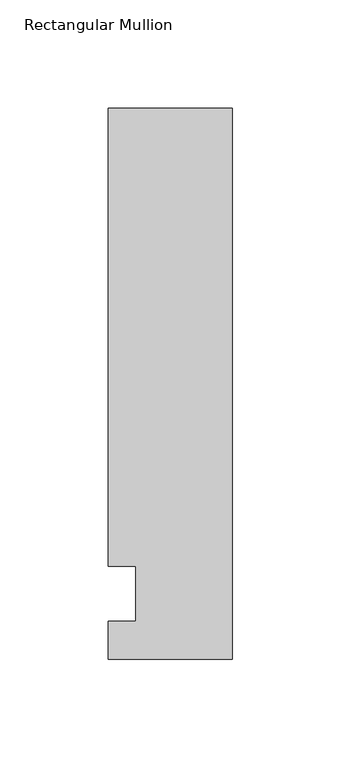
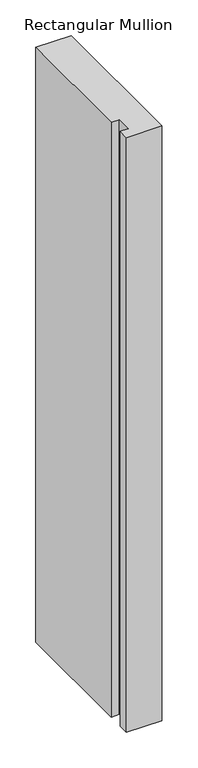
"""IFC4 building model written with IfcOpenShell, lengths in millimetres: member geometry, Rectangular Mullion."""

from ifc_helpers import new_model, si_unit, frame, origin, place, context, project, spatial, polyline, outline, extrude, source, transform, mapped, element, save


def rectangular_mullion_2ced2f79(model_context):
    return source(origin(), model_context, "Body", "SweptSolid", [
        extrude(outline(polyline([(-57.15, 223.8375), (0.0, 223.8375), (0.0, -30.1625), (-57.15, -30.1625), (-57.15, -12.7), (-44.4482296, -12.7), (-44.4482296, 12.7), (-57.15, 12.7), (-57.15, 223.8375)])), frame((0.0, 0.0, -1016.0), z_axis=(0.0, 0.0, 1.0), x_axis=(1.0, 0.0, 0.0)), (0.0, 0.0, 1.0), 1016.0),
    ])


if __name__ == "__main__":
    model = new_model("IFC4")
    model_context = context("Model", 3, world=origin())
    ifc_project = project(units=[si_unit("LENGTHUNIT", "METRE", prefix="MILLI")], contexts=[model_context])
    site = spatial("IfcSite", under=ifc_project)
    building = spatial("IfcBuilding", under=site)
    placement = place(None, origin())
    rectangular_mullion_shape = rectangular_mullion_2ced2f79(model_context)
    element("IfcMember", 1, ObjectType="Rectangular Mullion", at=placement, inside=building, context=model_context, shape_type="MappedRepresentation", body=[
        mapped(rectangular_mullion_shape, transform((0.0, 0.0, 0.0), x_axis=(1.0, 0.0, 0.0), y_axis=(0.0, 1.0, 0.0), z_axis=(0.0, 0.0, 1.0))),
    ])
    save(model, "model.ifc")
